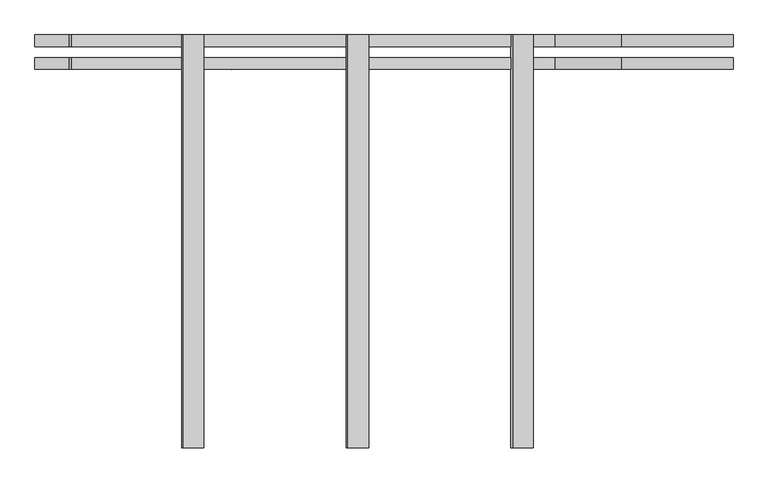
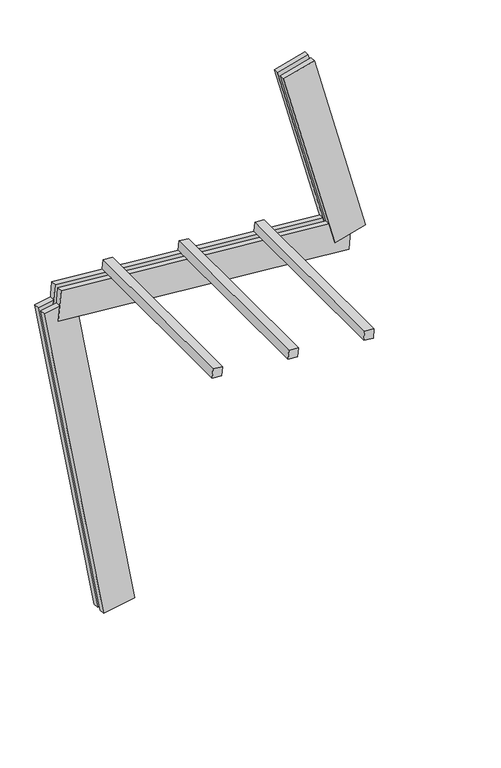
"""IFC4 building model written with IfcOpenShell, lengths in millimetres: proxy geometry."""

from ifc_helpers import new_model, si_unit, frame, origin, place, context, project, spatial, polyline, outline, extrude, source, transform, mapped, element, save


def generic_models_30e7d397(model_context):
    return source(origin(), model_context, "Body", "SweptSolid", [
        extrude(outline(polyline([(1500.0, 0.0), (1500.0, -74.9999999), (0.0, -74.9999999), (0.0, 0.0), (1500.0, 0.0)])), frame((15.2368697, 62.5, 2742.1062926), z_axis=(0.0871557427476582, 0.0, 0.9961946980917457), x_axis=(0.0, -1.0, 0.0)), (0.0, 0.0, 1.0), 75.0),
        extrude(outline(polyline([(1500.0, 0.0), (1500.0, -75.0), (0.0, -75.0), (0.0, 0.0), (1500.0, 0.0)])), frame((612.9536886, 62.5, 2689.8128469), z_axis=(0.0871557427476582, 0.0, 0.9961946980917457), x_axis=(0.0, -1.0, 0.0)), (0.0, 0.0, 1.0), 75.0),
        extrude(outline(polyline([(1500.0, 0.0), (1500.0, -74.9999999), (0.0, -74.9999999), (0.0, 0.0), (1500.0, 0.0)])), frame((1210.6705074, 62.5, 2637.5194013), z_axis=(0.0871557427476582, 0.0, 0.9961946980917457), x_axis=(0.0, -1.0, 0.0)), (0.0, 0.0, 1.0), 75.0),
        extrude(outline(polyline([(125.0, 0.0), (125.0, -250.0), (82.5, -250.0), (82.5, 0.0), (125.0, 0.0)])), frame((1701.6569976, -62.5, 2426.1703442), z_axis=(-0.2588190451025191, 0.0, 0.9659258262890688), x_axis=(0.0, 1.0, 0.0)), (0.0, 0.0, 1.0), 1560.0),
        extrude(outline(polyline([(0.0, -250.0), (0.0, 0.0), (42.5, 0.0), (42.5, -250.0), (0.0, -250.0)])), frame((1701.6569976, -62.5, 2426.1703442), z_axis=(-0.2588190451025191, 0.0, 0.9659258262890688), x_axis=(0.0, 1.0, 0.0)), (0.0, 0.0, 1.0), 1560.0),
        extrude(outline(polyline([(2300.0, -125.0), (0.0, -125.0), (0.0, -82.5), (2300.0, -82.5), (2300.0, -125.0)])), frame((1811.5032581, -62.5, 2333.9983876), z_axis=(0.0871557427476582, 0.0, 0.9961946980917457), x_axis=(-0.9961946980917457, 0.0, 0.0871557427476582)), (0.0, 0.0, 1.0), 250.0),
        extrude(outline(polyline([(0.0, 0.0), (2300.0, 0.0), (2300.0, -42.5), (0.0, -42.5), (0.0, 0.0)])), frame((1811.5032581, -62.5, 2333.9983876), z_axis=(0.0871557427476582, 0.0, 0.9961946980917457), x_axis=(-0.9961946980917457, 0.0, 0.0871557427476582)), (0.0, 0.0, 1.0), 250.0),
        extrude(outline(polyline([(-125.0, -249.9999999), (-125.0, 0.0), (-82.5, 0.0), (-82.5, -249.9999999), (-125.0, -249.9999999)])), frame((123.1009691, -62.5, 21.7060222), z_axis=(-0.17364817766693158, 0.0, 0.9848077530122079), x_axis=(0.0, -1.0, 0.0)), (0.0, 0.0, 1.0), 2700.0),
        extrude(outline(polyline([(0.0, 0.0), (0.0, -249.9999999), (-42.5, -249.9999999), (-42.5, 0.0), (0.0, 0.0)])), frame((123.1009691, -62.5, 21.7060222), z_axis=(-0.17364817766693158, 0.0, 0.9848077530122079), x_axis=(0.0, -1.0, 0.0)), (0.0, 0.0, 1.0), 2700.0),
    ])


if __name__ == "__main__":
    model = new_model("IFC4")
    model_context = context("Model", 3, world=origin())
    ifc_project = project(units=[si_unit("LENGTHUNIT", "METRE", prefix="MILLI")], contexts=[model_context])
    site = spatial("IfcSite", under=ifc_project)
    building = spatial("IfcBuilding", under=site)
    placement = place(None, origin())
    generic_models_shape = generic_models_30e7d397(model_context)
    element("IfcBuildingElementProxy", 1, Name="Generic Models", at=placement, inside=building, context=model_context, shape_type="MappedRepresentation", body=[
        mapped(generic_models_shape, transform((0.0, 0.0, 0.0), x_axis=(1.0, 0.0, 0.0), y_axis=(0.0, 1.0, 0.0), z_axis=(0.0, 0.0, 1.0))),
    ])
    save(model, "model.ifc")
